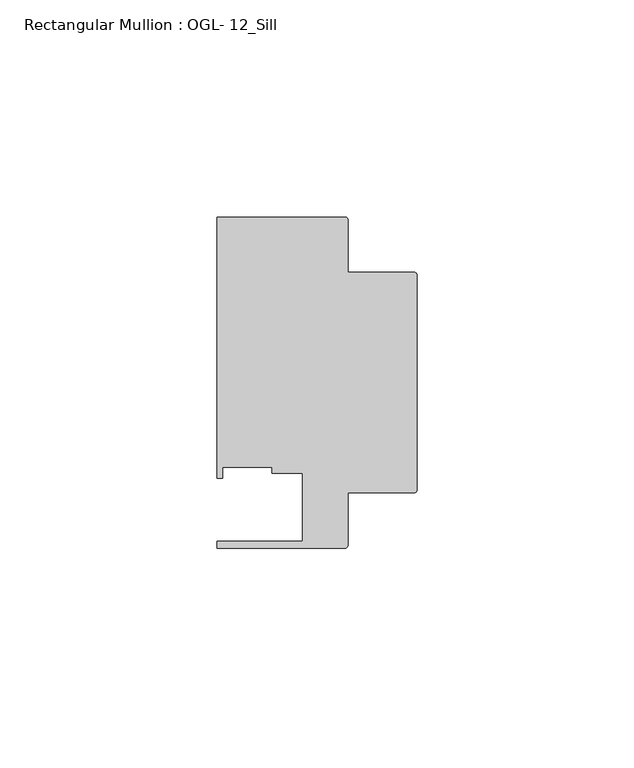
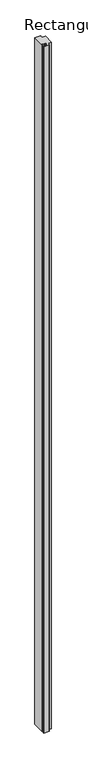
"""IFC4 building model written with IfcOpenShell, lengths in millimetres: member geometry, Rectangular Mullion : OGL- 12_Sill."""

from ifc_helpers import new_model, si_unit, point, frame, frame_2d, origin, place, context, project, spatial, polyline, circle_curve, trimmed, segment, composite_curve, outline, extrude, source, transform, mapped, element, save


def rectangular_mullion_ogl_12_sill_6c951e46(model_context):
    return source(origin(), model_context, "Body", "SweptSolid", [
        extrude(outline(composite_curve([segment(trimmed(circle_curve(frame_2d((-0.5953125, 24.8046875)), 0.5953125), [point((-0.5953125, 25.4))], [point((0.0, 24.8046875))], False, "CARTESIAN"), True, "CONTINUOUS"), segment(polyline([(0.0, 24.8046875), (0.0, -24.8046875)]), True, "CONTINUOUS"), segment(trimmed(circle_curve(frame_2d((-0.5953125, -24.8046875)), 0.5953125), [point((0.0, -24.8046875))], [point((-0.5953125, -25.4))], False, "CARTESIAN"), True, "CONTINUOUS"), segment(polyline([(-0.5953125, -25.4), (-15.8750672, -25.4), (-15.8750672, -37.5047035)]), True, "CONTINUOUS"), segment(trimmed(circle_curve(frame_2d((-16.4703797, -37.5047035)), 0.5953125), [point((-15.8750672, -37.5047035))], [point((-16.4703797, -38.100016))], False, "CARTESIAN"), True, "CONTINUOUS"), segment(polyline([(-16.4703797, -38.100016), (-46.0248655, -38.100016), (-46.0248655, -36.512516), (-26.3720794, -36.512516), (-26.3720794, -20.8257348), (-33.3985545, -20.8257348), (-33.3985545, -19.4824275), (-44.7780305, -19.4824275), (-44.7780305, -21.9710976), (-46.0339598, -21.9710976), (-46.0339598, 38.0996792), (-16.4703797, 38.0996792)]), True, "CONTINUOUS"), segment(trimmed(circle_curve(frame_2d((-16.4703797, 37.5043667)), 0.5953125), [point((-16.4703797, 38.0996792))], [point((-15.8750672, 37.5043667))], False, "CARTESIAN"), True, "CONTINUOUS"), segment(polyline([(-15.8750672, 37.5043667), (-15.8750672, 25.4), (-0.5953125, 25.4)]), True, "CONTINUOUS")], self_intersect=False)), frame((0.0, 0.0, -3676.65), z_axis=(0.0, 0.0, 1.0), x_axis=(1.0, 0.0, 0.0)), (0.0, 0.0, 1.0), 3676.65),
    ])


if __name__ == "__main__":
    model = new_model("IFC4")
    model_context = context("Model", 3, world=origin())
    ifc_project = project(units=[si_unit("LENGTHUNIT", "METRE", prefix="MILLI")], contexts=[model_context])
    site = spatial("IfcSite", under=ifc_project)
    building = spatial("IfcBuilding", under=site)
    placement = place(None, origin())
    rectangular_mullion_ogl_12_sill_shape = rectangular_mullion_ogl_12_sill_6c951e46(model_context)
    element("IfcMember", 1, ObjectType="Rectangular Mullion : OGL- 12_Sill", at=placement, inside=building, context=model_context, shape_type="MappedRepresentation", body=[
        mapped(rectangular_mullion_ogl_12_sill_shape, transform((0.0, 0.0, 0.0), x_axis=(1.0, 0.0, 0.0), y_axis=(0.0, 1.0, 0.0), z_axis=(0.0, 0.0, 1.0))),
    ])
    save(model, "model.ifc")
